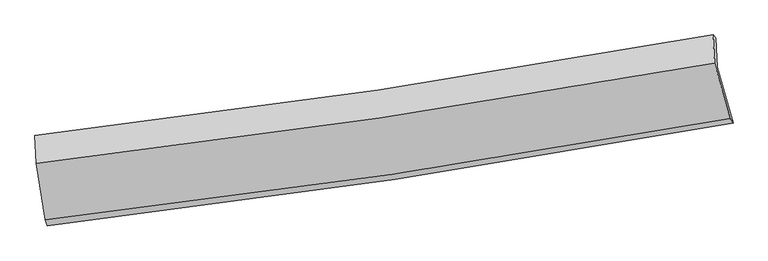
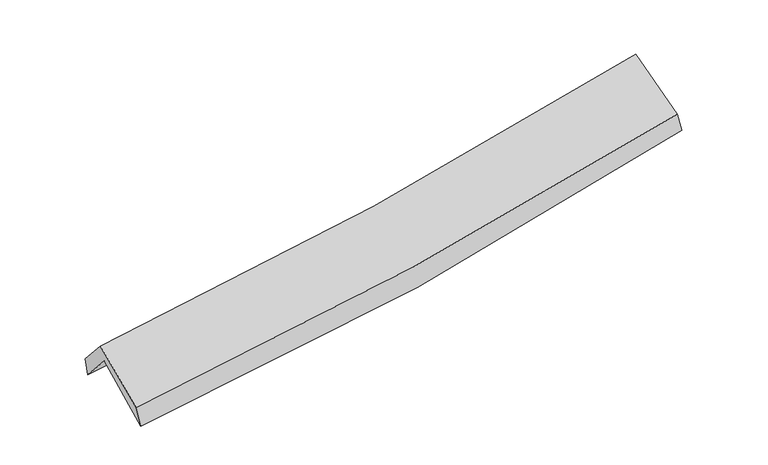
"""IFC4 building model written with IfcOpenShell, lengths in millimetres: proxy geometry."""

from ifc_helpers import new_model, si_unit, frame, origin, place, context, project, spatial, source, transform, mapped, element, save
from ifc_brep_helpers import plane_surface, spline_curve, spline_surface, advanced_brep


def generic_models_0215e869(model_context):
    return source(origin(), model_context, "Body", "AdvancedBrep", [
        advanced_brep(
        [(-2937.0470743, -2526.4133149, 1470.0313907), (-3019.1724663, -2026.4088703, 1896.9835178), (2932.2623028, -1130.83109, 2414.6274608), (3072.6536521, -1620.6149903, 1994.0497033), (-3032.3473266, -1757.670849, 1592.4192262), (2922.0087439, -875.718726, 2100.3366445), (-3044.3950632, -1731.3350034, 1748.0858363), (2898.0609854, -848.5811278, 2260.8057763), (-3032.563226, -1977.8833382, 2031.9031327), (2910.4146548, -1097.7479852, 2547.9289645), (-2953.0003461, -2473.2192937, 1639.9071032), (3047.6290953, -1584.2760309, 2149.1804683)],
        [
            (0, 1),
            (1, 2, spline_curve(3, [(-3019.1724663, -2026.4088703, 1896.9835178), (-2010.731531521, -1901.919568333, 1930.894366303), (-1006.569728761, -1764.332685664, 1991.551893995), (977.105247516, -1465.388611663, 2164.953777381), (1956.755034453, -1304.449567337, 2276.844230696), (2932.2623028, -1130.83109, 2414.6274608)], [4, 2, 4], [0.0, 10.043586724200798, 19.925549508421845])),
            (2, 3),
            (3, 0, spline_curve(3, [(3072.6536521, -1620.6149903, 1994.0497033), (2089.440938095, -1801.970639336, 1850.012060367), (1101.130130919, -1967.647599873, 1734.446419499), (-901.935317481, -2270.097432838, 1558.834687731), (-1916.858086159, -2406.353247066, 1499.72755751), (-2937.0470743, -2526.4133149, 1470.0313907)], [4, 2, 4], [0.0, 9.881962784221047, 19.925549508421845])),
            (1, 4),
            (4, 5, spline_curve(3, [(-3032.3473266, -1757.670849, 1592.4192262), (-2022.822193329, -1637.216463721, 1618.054480799), (-1017.87528136, -1502.784641419, 1673.784028923), (966.763913163, -1208.35436334, 1844.050611506), (1946.602358159, -1048.802144243, 1957.626869943), (2922.0087439, -875.718726, 2100.3366445)], [4, 2, 4], [0.0, 9.995286684755298, 19.829726685992178])),
            (5, 2),
            (4, 6),
            (6, 7, spline_curve(3, [(-3044.3950632, -1731.3350034, 1748.0858363), (-2038.451138043, -1615.52623835, 1800.34689082), (-1036.288127702, -1483.330484192, 1869.688081443), (944.409847678, -1188.556028725, 2041.140020892), (1923.065519653, -1026.500491128, 2142.705477023), (2898.0609854, -848.5811278, 2260.8057763)], [4, 2, 4], [0.0, 9.984919404999378, 19.809158959370524])),
            (7, 5),
            (6, 8),
            (8, 9, spline_curve(3, [(-3032.563226, -1977.8833382, 2031.9031327), (-2026.667847559, -1859.508313096, 2081.19219255), (-1024.484718709, -1726.261601495, 2149.339417573), (956.389392578, -1432.408363665, 2321.950085263), (1935.198890797, -1272.276624394, 2425.811470923), (2910.4146548, -1097.7479852, 2547.9289645)], [4, 2, 4], [0.0, 9.974776868514649, 19.78903710266564])),
            (9, 7),
            (8, 10),
            (10, 11, spline_curve(3, [(-2953.0003461, -2473.2192937, 1639.9071032), (-1936.71367993, -2356.354242231, 1689.714490092), (-924.494499454, -2223.110445113, 1757.546905451), (1075.585457582, -1926.273124115, 1927.880152635), (2063.576090869, -1763.202500128, 2029.805525873), (3047.6290953, -1584.2760309, 2149.1804683)], [4, 2, 4], [0.0, 10.022778563025327, 19.884268036267873])),
            (11, 9),
            (10, 0),
            (3, 11),
        ],
        [
            spline_surface(3, 3, [[(-2937.0470743, -2526.4133149, 1470.0313907), (-1916.858086053, -2406.353247157, 1499.727557427), (-901.93531754, -2270.097432809, 1558.834687654), (1101.130130976, -1967.647599902, 1734.446419574), (2089.440937949, -1801.970639366, 1850.012060223), (3072.6536521, -1620.6149903, 1994.0497033)], [(-2964.422204987, -2359.745166696, 1612.348766403), (-1948.149234518, -2238.20868755, 1643.449827047), (-936.813454573, -2101.509183779, 1703.073756438), (1059.788503131, -1800.227937121, 1877.948872166), (2045.212303424, -1636.130282045, 1992.289450367), (3025.856535667, -1457.353690205, 2134.242289153)], [(-2991.797335613, -2193.077018504, 1754.666142097), (-1979.440382922, -2070.064127955, 1787.172096658), (-971.691591628, -1932.920934775, 1847.312825232), (1018.446875264, -1632.808274365, 2021.451324768), (2000.983668898, -1470.28992471, 2134.566840451), (2979.059419233, -1294.092390095, 2274.434874947)], [(-3019.1724663, -2026.4088703, 1896.9835178), (-2010.731531388, -1901.919568349, 1930.894366277), (-1006.569728662, -1764.332685744, 1991.551894017), (977.105247419, -1465.388611584, 2164.953777359), (1956.755034372, -1304.449567388, 2276.844230595), (2932.2623028, -1130.83109, 2414.6274608)]], [4, 4], [4, 2, 4], [0.0, 2.2091420273449507], [0.0, 10.043586724200798, 19.925549508421845]),
            spline_surface(3, 3, [[(-3019.1724663, -2026.4088703, 1896.9835178), (-2010.731531388, -1901.919568349, 1930.894366277), (-1006.569728662, -1764.332685744, 1991.551894017), (977.105247419, -1465.388611584, 2164.953777359), (1956.755034372, -1304.449567388, 2276.844230595), (2932.2623028, -1130.83109, 2414.6274608)], [(-3023.564086377, -1936.829529859, 1795.462087285), (-2014.761752, -1813.685200098, 1826.614404511), (-1010.338246236, -1677.15000434, 1885.629272275), (973.658136021, -1379.710528801, 2057.986055439), (1953.370808974, -1219.233759674, 2170.438443672), (2928.844449838, -1045.793635307, 2309.863855352)], [(-3027.955706523, -1847.250189441, 1693.940656715), (-2018.791972681, -1725.450831868, 1722.334442689), (-1014.106763829, -1589.967322933, 1779.706650551), (970.211024603, -1294.032446015, 1951.018333537), (1949.986583561, -1134.017952038, 2064.032656793), (2925.426596862, -960.756180693, 2205.100249948)], [(-3032.3473266, -1757.670849, 1592.4192262), (-2022.822193294, -1637.216463616, 1618.054480922), (-1017.875281403, -1502.784641529, 1673.78402881), (966.763913205, -1208.354363232, 1844.050611617), (1946.602358162, -1048.802144324, 1957.626869871), (2922.0087439, -875.718726, 2100.3366445)]], [4, 4], [4, 2, 4], [0.0, 1.3500439201493881], [0.0, 9.995286684755298, 19.829726685992178]),
            spline_surface(3, 3, [[(-3032.3473266, -1757.670849, 1592.4192262), (-2022.822193294, -1637.216463616, 1618.054480922), (-1017.875281403, -1502.784641529, 1673.78402881), (966.763913205, -1208.354363232, 1844.050611617), (1946.602358162, -1048.802144324, 1957.626869871), (2922.0087439, -875.718726, 2100.3366445)], [(-3036.363238813, -1748.892233822, 1644.308096237), (-2028.031841604, -1629.986388545, 1678.81861759), (-1024.012896784, -1496.299922436, 1739.085379743), (959.312557993, -1201.754918428, 1909.747081386), (1938.756745367, -1041.368259919, 2019.319738899), (2914.026157728, -866.672859959, 2153.826355111)], [(-3040.379150987, -1740.113618578, 1696.196966263), (-2033.241489875, -1622.756313408, 1739.582754247), (-1030.150512186, -1489.815203267, 1804.386730577), (951.861202759, -1195.155473546, 1975.443551056), (1930.911132588, -1033.934375437, 2081.012607895), (2906.043571572, -857.626993841, 2207.316065689)], [(-3044.3950632, -1731.3350034, 1748.0858363), (-2038.451138185, -1615.526238337, 1800.346890915), (-1036.288127567, -1483.330484175, 1869.688081511), (944.409847546, -1188.556028742, 2041.140020825), (1923.065519793, -1026.500491032, 2142.705476923), (2898.0609854, -848.5811278, 2260.8057763)]], [4, 4], [4, 2, 4], [0.0, 0.6512733172113636], [0.0, 9.984919404999378, 19.809158959370524]),
            spline_surface(3, 3, [[(-3044.3950632, -1731.3350034, 1748.0858363), (-2038.451138185, -1615.526238337, 1800.346890915), (-1036.288127567, -1483.330484175, 1869.688081511), (944.409847546, -1188.556028742, 2041.140020825), (1923.065519793, -1026.500491032, 2142.705476923), (2898.0609854, -848.5811278, 2260.8057763)], [(-3040.451117467, -1813.51778166, 1842.691601748), (-2034.523374595, -1696.853596583, 1893.961991416), (-1032.353657971, -1564.307523253, 1962.905193489), (948.403029216, -1269.840140387, 2134.743375645), (1927.109976814, -1108.425868794, 2237.074141586), (2902.178875205, -931.636746904, 2356.513505714)], [(-3036.507171733, -1895.70055994, 1937.297367252), (-2030.595611005, -1778.180954849, 1987.577091971), (-1028.419188329, -1645.284562367, 2056.122305521), (952.396210932, -1351.124252069, 2228.346730516), (1931.15443382, -1190.351246645, 2331.442806206), (2906.296764995, -1014.692366096, 2452.221235086)], [(-3032.563226, -1977.8833382, 2031.9031327), (-2026.667847415, -1859.508313095, 2081.192192472), (-1024.484718733, -1726.261601444, 2149.3394175), (956.389392602, -1432.408363715, 2321.950085335), (1935.198890841, -1272.276624407, 2425.811470869), (2910.4146548, -1097.7479852, 2547.9289645)]], [4, 4], [4, 2, 4], [0.0, 1.2183432545680715], [0.0, 9.974776868514649, 19.78903710266564]),
            spline_surface(3, 3, [[(-3032.563226, -1977.8833382, 2031.9031327), (-2026.667847415, -1859.508313095, 2081.192192472), (-1024.484718733, -1726.261601444, 2149.3394175), (956.389392602, -1432.408363715, 2321.950085335), (1935.198890841, -1272.276624407, 2425.811470869), (2910.4146548, -1097.7479852, 2547.9289645)], [(-3006.042266026, -2142.995323356, 1901.23778954), (-1996.683124922, -2025.123622807, 1950.699625052), (-991.154645657, -1891.877882713, 2018.741913478), (996.121414263, -1597.029950451, 2190.593441109), (1977.991290869, -1435.918582949, 2293.809489158), (2956.152801625, -1259.924000441, 2415.01279908)], [(-2979.521306074, -2308.107308544, 1770.57244636), (-1966.698402451, -2190.738932553, 1820.207057612), (-957.824572557, -2057.494164009, 1888.144409454), (1035.853435947, -1761.651537216, 2059.23679688), (2020.783690921, -1599.560541469, 2161.807507506), (3001.890948475, -1422.100015659, 2282.09663372)], [(-2953.0003461, -2473.2192937, 1639.9071032), (-1936.713679958, -2356.354242265, 1689.714490192), (-924.494499481, -2223.110445278, 1757.546905432), (1075.585457609, -1926.273123953, 1927.880152654), (2063.576090949, -1763.202500011, 2029.805525795), (3047.6290953, -1584.2760309, 2149.1804683)]], [4, 4], [4, 2, 4], [0.0, 2.1052644403351017], [0.0, 10.022778563025327, 19.884268036267873]),
            spline_surface(3, 3, [[(-2953.0003461, -2473.2192937, 1639.9071032), (-1936.713679958, -2356.354242265, 1689.714490192), (-924.494499481, -2223.110445278, 1757.546905432), (1075.585457609, -1926.273123953, 1927.880152654), (2063.576090949, -1763.202500011, 2029.805525795), (3047.6290953, -1584.2760309, 2149.1804683)], [(-2947.682588829, -2490.950634107, 1583.281865687), (-1930.095148653, -2373.020577236, 1626.385512591), (-916.974772165, -2238.772774459, 1691.309499499), (1084.100348734, -1940.06461594, 1863.402241621), (2072.197706619, -1776.125213147, 1969.874370593), (3055.970614236, -1596.389017384, 2097.470213289)], [(-2942.364831571, -2508.681974493, 1526.656628213), (-1923.476617359, -2389.686912186, 1563.056535029), (-909.455044856, -2254.435103628, 1625.072093587), (1092.615239851, -1953.856107915, 1798.924330608), (2080.81932228, -1789.04792623, 1909.943215425), (3064.312133164, -1608.502003816, 2045.759958311)], [(-2937.0470743, -2526.4133149, 1470.0313907), (-1916.858086053, -2406.353247157, 1499.727557427), (-901.93531754, -2270.097432809, 1558.834687654), (1101.130130976, -1967.647599902, 1734.446419574), (2089.440937949, -1801.970639366, 1850.012060223), (3072.6536521, -1620.6149903, 1994.0497033)]], [4, 4], [4, 2, 4], [0.0, 0.6642693849862554], [0.0, 10.081423798365734, 20.00061477297625]),
            plane_surface(frame((2963.8382391, -1192.9616584, 2244.4881696), z_axis=(0.9767028159320588, 0.18109656559416212, 0.11513315456629643), x_axis=(0.2131168554751587, -0.75565900240489, -0.6193227575318274))),
            plane_surface(frame((-3003.0875837, -2082.1551116, 1729.8883678), z_axis=(-0.9918376362183579, -0.11380129096230455, -0.05750973444638491), x_axis=(-0.08926261511149934, 0.29763408400402014, 0.950497836705873))),
        ],
        [
            (0, [[1, 2, 3, 4]]),
            (1, [[5, 6, 7, -2]]),
            (2, [[8, 9, 10, -6]]),
            (3, [[11, 12, 13, -9]]),
            (4, [[14, 15, 16, -12]]),
            (5, [[17, -4, 18, -15]]),
            (6, [[-16, -18, -3, -7, -10, -13]]),
            (7, [[-17, -14, -11, -8, -5, -1]]),
        ],
    ),
    ])


if __name__ == "__main__":
    model = new_model("IFC4")
    model_context = context("Model", 3, world=origin())
    ifc_project = project(units=[si_unit("LENGTHUNIT", "METRE", prefix="MILLI")], contexts=[model_context])
    site = spatial("IfcSite", under=ifc_project)
    building = spatial("IfcBuilding", under=site)
    placement = place(None, origin())
    generic_models_shape = generic_models_0215e869(model_context)
    element("IfcBuildingElementProxy", 1, Name="Generic Models", at=placement, inside=building, context=model_context, shape_type="MappedRepresentation", body=[
        mapped(generic_models_shape, transform((0.0, 0.0, 0.0), x_axis=(1.0, 0.0, 0.0), y_axis=(0.0, 1.0, 0.0), z_axis=(0.0, 0.0, 1.0))),
    ])
    save(model, "model.ifc")
